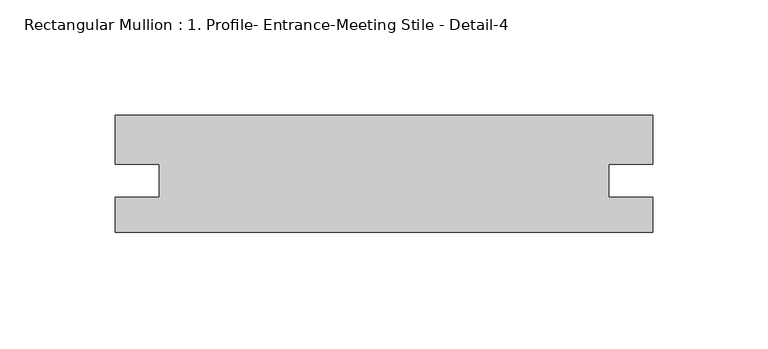
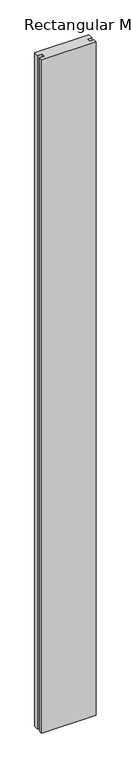
"""IFC4 building model written with IfcOpenShell, lengths in millimetres: member geometry, Rectangular Mullion : 1. Profile- Entrance-Meeting Stile - Detail-4."""

from ifc_helpers import new_model, si_unit, frame, origin, place, context, project, spatial, polyline, outline, extrude, source, transform, mapped, element, save


def rectangular_mullion_1_profile_entrance_meeting_stile_detail_2560b8af(model_context):
    return source(origin(), model_context, "Body", "SweptSolid", [
        extrude(outline(polyline([(-233.3481209, -25.4), (-233.3481209, -10.30097), (-214.3235209, -10.30097), (-214.3235209, 4.0157289), (-233.3481196, 4.0157289), (-233.3481196, 25.4), (-1.3e-06, 25.4), (-1.3e-06, 4.0157289), (-19.0246, 4.0157289), (-19.0246, -10.3009713), (0.0, -10.3009713), (0.0, -25.4), (-233.3481209, -25.4)])), frame((0.0, 0.0, -3048.0), z_axis=(0.0, 0.0, 1.0), x_axis=(1.0, 0.0, 0.0)), (0.0, 0.0, 1.0), 3048.0),
    ])


if __name__ == "__main__":
    model = new_model("IFC4")
    model_context = context("Model", 3, world=origin())
    ifc_project = project(units=[si_unit("LENGTHUNIT", "METRE", prefix="MILLI")], contexts=[model_context])
    site = spatial("IfcSite", under=ifc_project)
    building = spatial("IfcBuilding", under=site)
    placement = place(None, origin())
    rectangular_mullion_1_profile_entrance_meeting_stile_detail_shape = rectangular_mullion_1_profile_entrance_meeting_stile_detail_2560b8af(model_context)
    element("IfcMember", 1, ObjectType="Rectangular Mullion : 1. Profile- Entrance-Meeting Stile - Detail-4", at=placement, inside=building, context=model_context, shape_type="MappedRepresentation", body=[
        mapped(rectangular_mullion_1_profile_entrance_meeting_stile_detail_shape, transform((0.0, 0.0, 0.0), x_axis=(1.0, 0.0, 0.0), y_axis=(0.0, 1.0, 0.0), z_axis=(0.0, 0.0, 1.0))),
    ])
    save(model, "model.ifc")
